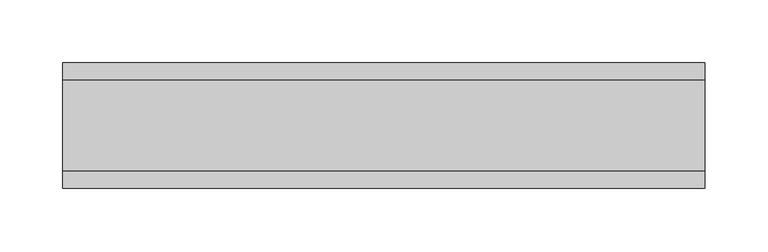
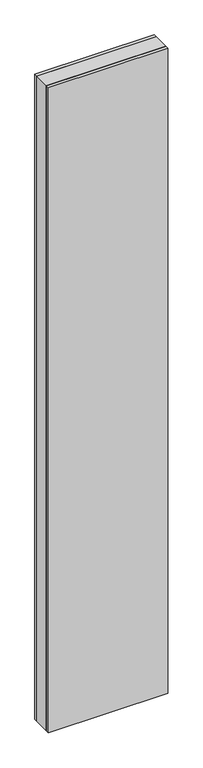
"""IFC4 building model written with IfcOpenShell, lengths in millimetres: plate geometry."""

from ifc_helpers import new_model, si_unit, origin, origin_with_axes, place, context, project, spatial, polyline, outline, extrude, source, transform, mapped, element, save


def plate_b978c8c9(model_context):
    return source(origin(), model_context, "Body", "SweptSolid", [
        extrude(outline(polyline([(255.6759702, 36.0), (255.6759702, -36.0), (-255.6759702, -36.0), (-255.6759702, 36.0), (255.6759702, 36.0)])), origin_with_axes(), (0.0, 0.0, 1.0), 2925.7),
        extrude(outline(polyline([(255.6759702, 50.0), (255.6759702, 36.0), (-255.6759702, 36.0), (-255.6759702, 50.0), (255.6759702, 50.0)])), origin_with_axes(), (0.0, 0.0, 1.0), 2925.7),
        extrude(outline(polyline([(255.6759702, -36.0), (255.6759702, -50.0), (-255.6759702, -50.0), (-255.6759702, -36.0), (255.6759702, -36.0)])), origin_with_axes(), (0.0, 0.0, 1.0), 2925.7),
    ])


if __name__ == "__main__":
    model = new_model("IFC4")
    model_context = context("Model", 3, world=origin())
    ifc_project = project(units=[si_unit("LENGTHUNIT", "METRE", prefix="MILLI")], contexts=[model_context])
    site = spatial("IfcSite", under=ifc_project)
    building = spatial("IfcBuilding", under=site)
    placement = place(None, origin())
    plate_shape = plate_b978c8c9(model_context)
    element("IfcPlate", 1, at=placement, inside=building, context=model_context, shape_type="MappedRepresentation", body=[
        mapped(plate_shape, transform((0.0, 0.0, 0.0), x_axis=(1.0, 0.0, 0.0), y_axis=(0.0, 1.0, 0.0), z_axis=(0.0, 0.0, 1.0))),
    ])
    save(model, "model.ifc")
